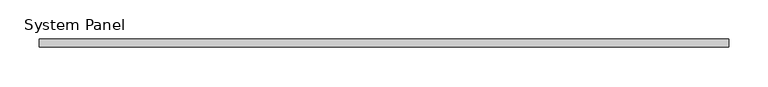
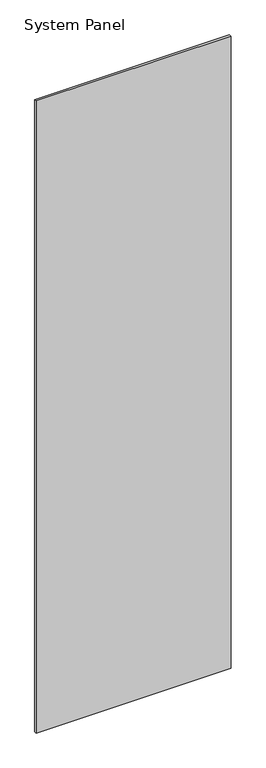
"""IFC4 building model written with IfcOpenShell, lengths in millimetres: plate geometry, System Panel."""

from ifc_helpers import new_model, si_unit, origin, origin_with_axes, place, context, project, spatial, polyline, outline, extrude, source, transform, mapped, element, save


def system_panel_b455d748(model_context):
    return source(origin(), model_context, "Body", "SweptSolid", [
        extrude(outline(polyline([(436.455, -5.0), (-436.455, -5.0), (-436.455, 5.0), (436.455, 5.0), (436.455, -5.0)])), origin_with_axes(), (0.0, 0.0, 1.0), 2991.6097048),
    ])


if __name__ == "__main__":
    model = new_model("IFC4")
    model_context = context("Model", 3, world=origin())
    ifc_project = project(units=[si_unit("LENGTHUNIT", "METRE", prefix="MILLI")], contexts=[model_context])
    site = spatial("IfcSite", under=ifc_project)
    building = spatial("IfcBuilding", under=site)
    placement = place(None, origin())
    system_panel_shape = system_panel_b455d748(model_context)
    element("IfcPlate", 1, ObjectType="System Panel", at=placement, inside=building, context=model_context, shape_type="MappedRepresentation", body=[
        mapped(system_panel_shape, transform((0.0, 0.0, 0.0), x_axis=(1.0, 0.0, 0.0), y_axis=(0.0, 1.0, 0.0), z_axis=(0.0, 0.0, 1.0))),
    ])
    save(model, "model.ifc")
